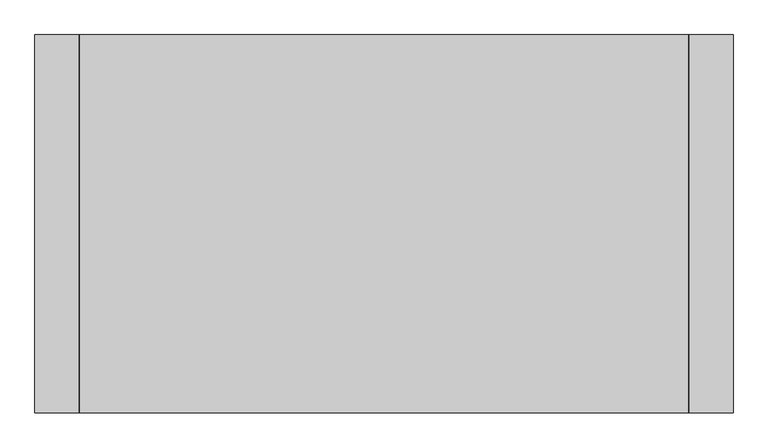
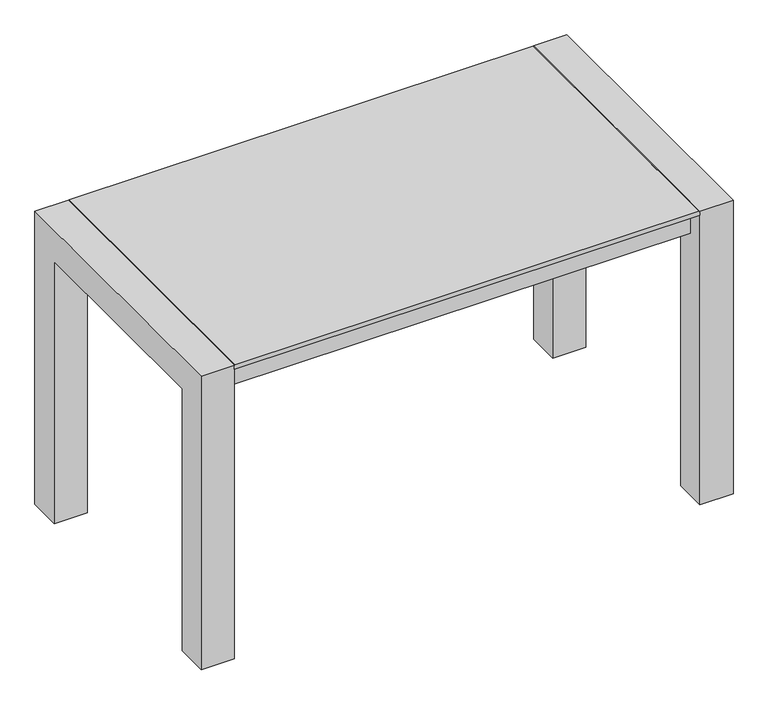
"""IFC4 building model written with IfcOpenShell, lengths in millimetres: furniture geometry."""

from ifc_helpers import new_model, si_unit, frame, origin, place, context, project, spatial, polyline, outline, extrude, source, transform, mapped, element, save


def furniture_49d5b70b(model_context):
    return source(origin(), model_context, "Body", "SweptSolid", [
        extrude(outline(polyline([(1125.0, 612.5442763), (1125.0, 575.0442763), (75.0, 575.0442763), (75.0, 612.5442763), (1125.0, 612.5442763)])), frame((0.0, 0.0, 625.0), z_axis=(0.0, 0.0, 1.0), x_axis=(1.0, 0.0, 0.0)), (0.0, 0.0, 1.0), 65.0),
        extrude(outline(polyline([(1125.0, 75.0), (1125.0, 37.5), (75.0, 37.5), (75.0, 75.0), (1125.0, 75.0)])), frame((0.0, 0.0, 625.0), z_axis=(0.0, 0.0, 1.0), x_axis=(1.0, 0.0, 0.0)), (0.0, 0.0, 1.0), 65.0),
        extrude(outline(polyline([(700.0, 1122.7515685), (700.0, 77.2484315), (697.7515685, 75.0), (690.0, 75.0), (690.0, 1125.0), (697.7515685, 1125.0), (700.0, 1122.7515685)])), frame((0.0, 0.0, 0.0), z_axis=(0.0, 1.0, 0.0), x_axis=(0.0, 0.0, 1.0)), (0.0, 0.0, 1.0), 650.0442763),
        extrude(outline(polyline([(0.0, 0.0), (0.0, 700.0), (650.0442763, 700.0), (650.0442763, 0.0), (575.0442763, 0.0), (575.0442763, 625.0), (75.0, 625.0), (75.0, 0.0), (0.0, 0.0)])), frame((1125.0, 0.0, 0.0), z_axis=(1.0, 0.0, 0.0), x_axis=(0.0, 1.0, 0.0)), (0.0, 0.0, 1.0), 75.0),
        extrude(outline(polyline([(650.0442763, 700.0), (650.0442763, 0.0), (575.0442763, 0.0), (575.0442763, 625.0), (75.0, 625.0), (75.0, 0.0), (0.0, 0.0), (0.0, 700.0), (650.0442763, 700.0)])), frame((0.0, 0.0, 0.0), z_axis=(1.0, 0.0, 0.0), x_axis=(0.0, 1.0, 0.0)), (0.0, 0.0, 1.0), 75.0),
    ])


if __name__ == "__main__":
    model = new_model("IFC4")
    model_context = context("Model", 3, world=origin())
    ifc_project = project(units=[si_unit("LENGTHUNIT", "METRE", prefix="MILLI")], contexts=[model_context])
    site = spatial("IfcSite", under=ifc_project)
    building = spatial("IfcBuilding", under=site)
    placement = place(None, origin())
    furniture_shape = furniture_49d5b70b(model_context)
    element("IfcFurniture", 1, at=placement, inside=building, context=model_context, shape_type="MappedRepresentation", body=[
        mapped(furniture_shape, transform((0.0, 0.0, 0.0), x_axis=(1.0, 0.0, 0.0), y_axis=(0.0, 1.0, 0.0), z_axis=(0.0, 0.0, 1.0))),
    ])
    save(model, "model.ifc")
